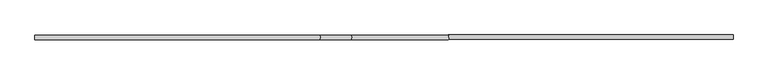
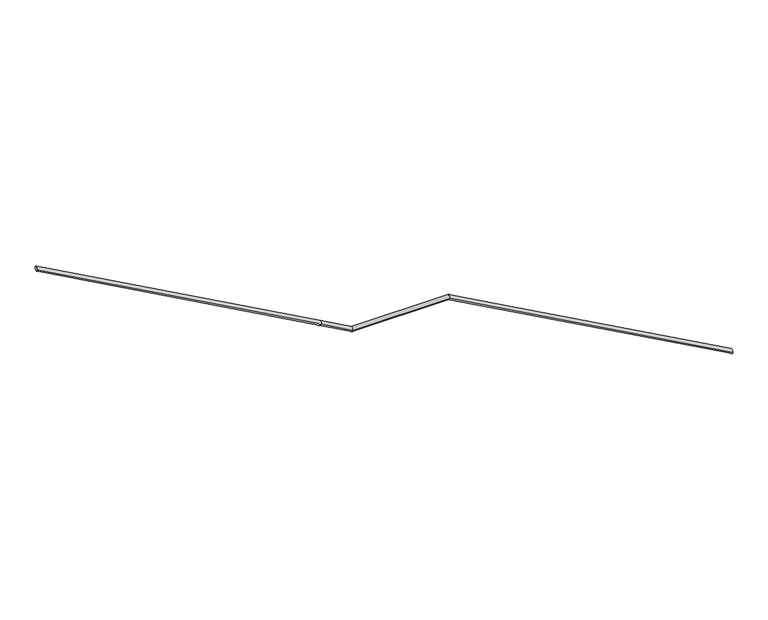
"""IFC4 building model written with IfcOpenShell, lengths in millimetres: railing geometry."""

from ifc_helpers import new_model, si_unit, frame, origin, place, context, project, spatial, circle_curve, ellipse_curve, source, transform, mapped, element, save
from ifc_brep_helpers import plane_surface, cylinder_surface, advanced_brep


def railing_02d9fb62(model_context):
    return source(origin(), model_context, "Body", "AdvancedBrep", [
        advanced_brep(
        [(10222.6606615, -40544.0297965, -8651.2639987), (10222.6606615, -40584.0297965, -8651.2639987), (7522.6606615, -40544.0297965, -7159.0336835), (7522.6606615, -40584.0297965, -7159.0336835)],
        [
            (0, 1, ellipse_curve(frame((10222.6606615, -40564.0297965, -8651.2639987), z_axis=(1.0, 0.0, 0.0), x_axis=(0.0, 0.0, -1.0)), 22.8512832, 20.0)),
            (1, 0, ellipse_curve(frame((10222.6606615, -40564.0297965, -8651.2639987), z_axis=(1.0, 0.0, 0.0), x_axis=(0.0, 0.0, -1.0)), 22.8512832, 20.0)),
            (2, 3, ellipse_curve(frame((7522.6606615, -40564.0297965, -7159.0336835), z_axis=(-0.9683037679556454, 0.0, 0.2497755251478808), x_axis=(-0.2497755251478809, 0.0, -0.9683037679556454)), 20.6546754, 20.0)),
            (3, 2, ellipse_curve(frame((7522.6606615, -40564.0297965, -7159.0336835), z_axis=(-0.9683037679556454, 0.0, 0.2497755251478808), x_axis=(-0.2497755251478809, 0.0, -0.9683037679556454)), 20.6546754, 20.0)),
            (0, 2),
            (3, 1),
        ],
        [
            plane_surface(frame((10222.6606615, -40564.0297965, -8651.2639987), z_axis=(1.0, 0.0, 0.0), x_axis=(0.0, -1.0, 0.0))),
            plane_surface(frame((7522.6606615, -40564.0297965, -7159.0336835), z_axis=(-0.9683037679556454, 0.0, 0.2497755251478808), x_axis=(0.2497755251478808, 0.0, 0.9683037679556454))),
            cylinder_surface(frame((10222.6606615, -40564.0297965, -8651.2639987), z_axis=(0.8752243740742008, 0.0, -0.483717164287586), x_axis=(0.0, -1.0, 0.0)), 20.0),
        ],
        [
            (0, [[1, 2]]),
            (1, [[3, 4]]),
            (2, [[-1, 5, -4, 6]]),
            (2, [[-2, -6, -3, -5]]),
        ],
    ),
        advanced_brep(
        [(7522.6606615, -40548.115591, -7159.0336835), (7522.6606615, -40588.115591, -7159.0336835), (6602.6606615, -40548.115591, -7159.0336835), (6602.6606615, -40588.115591, -7159.0336835), (6302.6606615, -40548.115591, -6993.2303152), (6302.6606615, -40588.115591, -6993.2303152), (3602.6606615, -40548.115591, -5501.0), (3602.6606615, -40588.115591, -5501.0)],
        [
            (0, 1, ellipse_curve(frame((7522.6606615, -40568.115591, -7159.0336835), z_axis=(0.9683037679556454, 0.0, -0.2497755251478808), x_axis=(0.24977552514788035, 0.0, 0.9683037679556454)), 20.6546754, 20.0)),
            (1, 0, ellipse_curve(frame((7522.6606615, -40568.115591, -7159.0336835), z_axis=(0.9683037679556454, 0.0, -0.2497755251478808), x_axis=(0.24977552514788035, 0.0, 0.9683037679556454)), 20.6546754, 20.0)),
            (0, 2),
            (2, 3, ellipse_curve(frame((6602.6606615, -40568.115591, -7159.0336835), z_axis=(0.9683037679556455, 0.0, -0.2497755251478804), x_axis=(0.2497755251478799, 0.0, 0.9683037679556457)), 20.6546754, 20.0)),
            (3, 1),
            (3, 2, ellipse_curve(frame((6602.6606615, -40568.115591, -7159.0336835), z_axis=(0.9683037679556455, 0.0, -0.2497755251478804), x_axis=(0.2497755251478799, 0.0, 0.9683037679556457)), 20.6546754, 20.0)),
            (2, 4),
            (4, 5, circle_curve(frame((6302.6606615, -40568.115591, -6993.2303152), z_axis=(0.8752243740742012, 0.0, -0.4837171642875854), x_axis=(0.0, -1.0, 0.0)), 20.0)),
            (5, 3),
            (5, 4, circle_curve(frame((6302.6606615, -40568.115591, -6993.2303152), z_axis=(0.8752243740742012, 0.0, -0.4837171642875854), x_axis=(0.0, -1.0, 0.0)), 20.0)),
            (6, 7, ellipse_curve(frame((3602.6606615, -40568.115591, -5501.0), z_axis=(-1.0, 0.0, 0.0), x_axis=(0.0, 0.0, -1.0)), 22.8512832, 20.0)),
            (7, 6, ellipse_curve(frame((3602.6606615, -40568.115591, -5501.0), z_axis=(-1.0, 0.0, 0.0), x_axis=(0.0, 0.0, -1.0)), 22.8512832, 20.0)),
            (4, 6),
            (7, 5),
        ],
        [
            plane_surface(frame((7522.6606615, -40568.115591, -7159.0336835), z_axis=(0.9683037679556454, 0.0, -0.2497755251478808), x_axis=(0.2497755251478808, 0.0, 0.9683037679556454))),
            cylinder_surface(frame((7522.6606615, -40568.115591, -7159.0336835), z_axis=(1.0, 0.0, 0.0), x_axis=(0.0, -1.0, 0.0)), 20.0),
            cylinder_surface(frame((6602.6606615, -40568.115591, -7159.0336835), z_axis=(0.8752243740742012, 0.0, -0.4837171642875854), x_axis=(0.0, -1.0, 0.0)), 20.0),
            plane_surface(frame((3602.6606615, -40568.115591, -5501.0), z_axis=(-1.0, 0.0, 0.0), x_axis=(0.0, -1.0, 0.0))),
            cylinder_surface(frame((6302.6606615, -40568.115591, -6993.2303152), z_axis=(0.8752243740742011, 0.0, -0.4837171642875854), x_axis=(0.0, -1.0, 0.0)), 20.0),
        ],
        [
            (0, [[1, 2]]),
            (1, [[-1, 3, 4, 5]]),
            (1, [[-2, -5, 6, -3]]),
            (2, [[-4, 7, 8, 9]]),
            (2, [[-6, -9, 10, -7]]),
            (3, [[11, 12]]),
            (4, [[-8, 13, -12, 14]]),
            (4, [[-10, -14, -11, -13]]),
        ],
    ),
    ])


if __name__ == "__main__":
    model = new_model("IFC4")
    model_context = context("Model", 3, world=origin())
    ifc_project = project(units=[si_unit("LENGTHUNIT", "METRE", prefix="MILLI")], contexts=[model_context])
    site = spatial("IfcSite", under=ifc_project)
    building = spatial("IfcBuilding", under=site)
    placement = place(None, origin())
    railing_shape = railing_02d9fb62(model_context)
    element("IfcRailing", 1, at=placement, inside=building, context=model_context, shape_type="MappedRepresentation", body=[
        mapped(railing_shape, transform((0.0, 0.0, 0.0), x_axis=(1.0, 0.0, 0.0), y_axis=(0.0, 1.0, 0.0), z_axis=(0.0, 0.0, 1.0))),
    ])
    save(model, "model.ifc")
